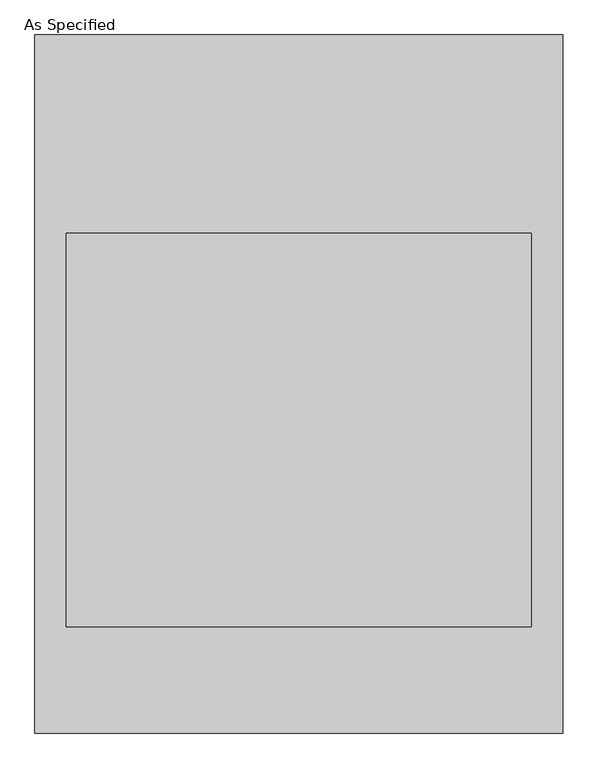
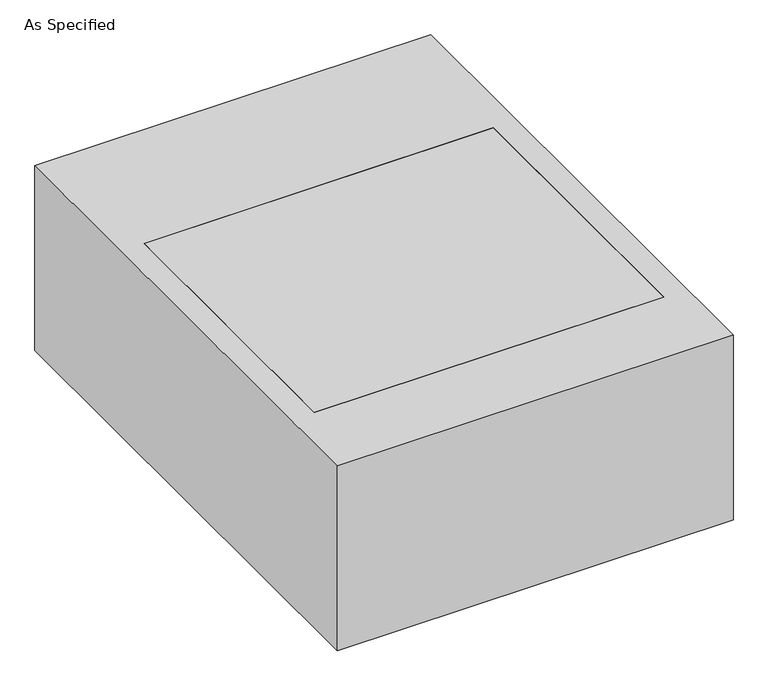
"""IFC4 building model written with IfcOpenShell, lengths in millimetres: proxy geometry, As Specified."""

from ifc_helpers import new_model, si_unit, frame, origin, place, context, project, spatial, polyline, outline, extrude, source, transform, mapped, element, save


def as_specified_f7cedcc8(model_context):
    return source(origin(), model_context, "Body", "SweptSolid", [
        extrude(outline(polyline([(-511.175, -676.275), (-511.175, 676.275), (511.175, 676.275), (511.175, -676.275), (-511.175, -676.275)]), holes=[polyline([(450.85, 292.1), (-450.85, 292.1), (-450.85, -469.9), (450.85, -469.9), (450.85, 292.1)])]), frame((0.0, 0.0, -530.225), z_axis=(0.0, 0.0, 1.0), x_axis=(1.0, 0.0, 0.0)), (0.0, 0.0, 1.0), 504.825),
        extrude(outline(polyline([(450.85, 292.1), (450.85, -469.9), (-450.85, -469.9), (-450.85, 292.1), (450.85, 292.1)])), frame((0.0, 0.0, -530.225), z_axis=(0.0, 0.0, 1.0), x_axis=(1.0, 0.0, 0.0)), (0.0, 0.0, 1.0), 504.825),
    ])


if __name__ == "__main__":
    model = new_model("IFC4")
    model_context = context("Model", 3, world=origin())
    ifc_project = project(units=[si_unit("LENGTHUNIT", "METRE", prefix="MILLI")], contexts=[model_context])
    site = spatial("IfcSite", under=ifc_project)
    building = spatial("IfcBuilding", under=site)
    placement = place(None, origin())
    as_specified_shape = as_specified_f7cedcc8(model_context)
    element("IfcBuildingElementProxy", 1, Name="As Specified", ObjectType="As Specified", at=placement, inside=building, context=model_context, shape_type="MappedRepresentation", body=[
        mapped(as_specified_shape, transform((0.0, 0.0, 0.0), x_axis=(1.0, 0.0, 0.0), y_axis=(0.0, 1.0, 0.0), z_axis=(0.0, 0.0, 1.0))),
    ])
    save(model, "model.ifc")
